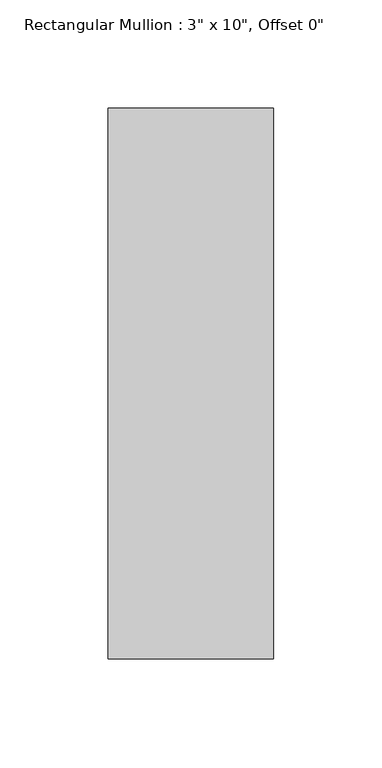
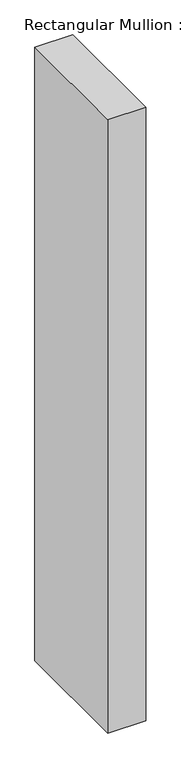
"""IFC4 building model written with IfcOpenShell, lengths in millimetres: member geometry."""

from ifc_helpers import new_model, si_unit, frame, origin, place, context, project, spatial, polyline, outline, extrude, source, transform, mapped, element, save


def member_0ff1b714(model_context):
    return source(origin(), model_context, "Body", "SweptSolid", [
        extrude(outline(polyline([(0.0, 127.0), (0.0, -127.0), (-76.2, -127.0), (-76.2, 127.0), (0.0, 127.0)])), frame((0.0, 0.0, -1304.2011643), z_axis=(0.0, 0.0, 1.0), x_axis=(1.0, 0.0, 0.0)), (0.0, 0.0, 1.0), 1304.2011643),
    ])


if __name__ == "__main__":
    model = new_model("IFC4")
    model_context = context("Model", 3, world=origin())
    ifc_project = project(units=[si_unit("LENGTHUNIT", "METRE", prefix="MILLI")], contexts=[model_context])
    site = spatial("IfcSite", under=ifc_project)
    building = spatial("IfcBuilding", under=site)
    placement = place(None, origin())
    member_shape = member_0ff1b714(model_context)
    element("IfcMember", 1, ObjectType="Rectangular Mullion : 3\" x 10\", Offset 0\"", at=placement, inside=building, context=model_context, shape_type="MappedRepresentation", body=[
        mapped(member_shape, transform((0.0, 0.0, 0.0), x_axis=(1.0, 0.0, 0.0), y_axis=(0.0, 1.0, 0.0), z_axis=(0.0, 0.0, 1.0))),
    ])
    save(model, "model.ifc")
